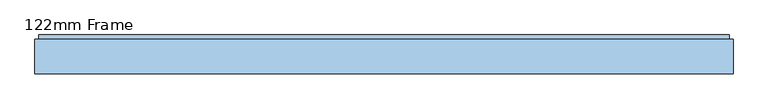
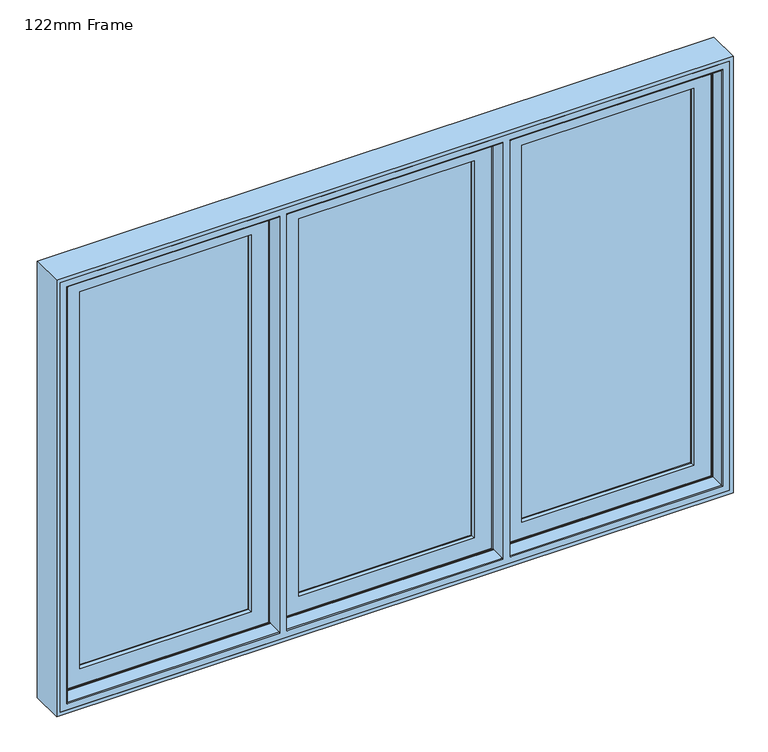
"""IFC4 building model written with IfcOpenShell, lengths in millimetres: window geometry, 122mm Frame."""

from ifc_helpers import new_model, si_unit, frame, origin, place, context, project, spatial, polyline, circle_curve, ellipse_curve, outline, extrude, faceted_brep, source, transform, mapped, element, save
from ifc_brep_helpers import plane_surface, cylinder_surface, advanced_brep


def window_122mm_frame_311024c3(model_context):
    return source(origin(), model_context, "Body", "SolidModel", [
        extrude(outline(polyline([(-296.6666667, 141.0), (297.0666667, 141.0), (297.0666667, 93.0), (-296.6666667, 93.0), (-296.6666667, 141.0)])), frame((0.0, 0.0, 890.0), z_axis=(0.0, 0.0, 1.0), x_axis=(1.0, 0.0, 0.0)), (0.0, 0.0, 1.0), 1320.0),
        faceted_brep([(319.4665133, 153.0, 2232.3998467), (319.4665133, 148.4070391, 2232.3998467), (319.4665133, 148.4070391, 867.6001533), (319.4665133, 153.0, 867.6001533), (324.7406056, 139.5531262, 2237.6739389), (324.7406056, 139.5531262, 862.3260611), (-319.4665133, 148.4070391, 867.6001533), (-319.4665133, 153.0, 867.6001533), (-319.4665133, 153.0, 2232.3998467), (286.3232834, 153.0, 2199.2566168), (-286.3232834, 153.0, 2199.2566168), (-286.3232834, 153.0, 900.7433832), (286.3232834, 153.0, 900.7433832), (326.5800622, 139.5531262, 860.4866045), (-326.5800622, 139.5531262, 860.4866045), (-326.5800622, 139.5531262, 2239.5133955), (326.5800622, 139.5531262, 2239.5133955), (-324.7406056, 139.5531262, 2237.6739389), (-324.7406056, 139.5531262, 862.3260611), (326.5800622, 121.0, 2239.5133955), (326.5800622, 121.0, 860.4866045), (336.5800622, 121.0, 850.4866045), (-336.5800622, 121.0, 850.4866045), (-336.5800622, 121.0, 2249.5133955), (336.5800622, 121.0, 2249.5133955), (-326.5800622, 121.0, 2239.5133955), (-326.5800622, 121.0, 860.4866045), (336.5800622, 88.5, 2249.5133955), (336.5800622, 88.5, 850.4866045), (347.3643666, 88.5, 839.7023001), (-347.3643666, 88.5, 839.7023001), (-347.3643666, 88.5, 2260.2977), (347.3643666, 88.5, 2260.2977), (-336.5800622, 88.5, 2249.5133955), (-336.5800622, 88.5, 850.4866045), (347.3643666, 83.5, 2260.2977), (347.3643666, 83.5, 839.7023001), (-347.3643666, 83.5, 2260.2977), (-347.3643666, 83.5, 839.7023001), (340.5666667, 83.5, 846.5), (-340.5666667, 83.5, 846.5), (-340.5666667, 83.5, 2253.5), (340.5666667, 83.5, 2253.5), (340.5666667, 78.0, 2253.5), (340.5666667, 78.0, 846.5), (-340.5666667, 78.0, 2253.5), (-340.5666667, 78.0, 846.5), (285.3824483, 78.0, 901.6842184), (-285.3824483, 78.0, 901.6842184), (-285.3824483, 78.0, 2198.3157816), (285.3824483, 78.0, 2198.3157816), (283.0669733, 88.8934531, 2196.0003067), (283.0669733, 88.8934531, 903.9996933), (283.0669733, 93.0, 2196.0003067), (283.0669733, 93.0, 903.9996933), (-283.0669733, 88.8934531, 903.9996933), (297.0666667, 93.0, 890.0), (-297.0666667, 93.0, 890.0), (-297.0666667, 93.0, 2210.0), (297.0666667, 93.0, 2210.0), (-283.0669733, 93.0, 2196.0003067), (-283.0669733, 93.0, 903.9996933), (297.0666667, 141.0, 2210.0), (297.0666667, 141.0, 890.0), (-297.0666667, 141.0, 2210.0), (-297.0666667, 141.0, 890.0), (282.6545152, 141.0, 904.4121514), (-282.6545152, 141.0, 904.4121514), (-282.6545152, 141.0, 2195.5878486), (282.6545152, 141.0, 2195.5878486), (-319.4665133, 148.4070391, 2232.3998467), (-283.0669733, 88.8934531, 2196.0003067)], [[[0, 1, 2, 3]], [[1, 4, 5, 2]], [[3, 2, 6, 7]], [[3, 7, 8, 0], [9, 10, 11, 12]], [[13, 14, 15, 16], [4, 17, 18, 5]], [[2, 5, 18, 6]], [[16, 19, 20, 13]], [[21, 22, 23, 24], [19, 25, 26, 20]], [[13, 20, 26, 14]], [[24, 27, 28, 21]], [[29, 30, 31, 32], [27, 33, 34, 28]], [[21, 28, 34, 22]], [[32, 35, 36, 29]], [[35, 37, 38, 36], [39, 40, 41, 42]], [[29, 36, 38, 30]], [[42, 43, 44, 39]], [[43, 45, 46, 44], [47, 48, 49, 50]], [[39, 44, 46, 40]], [[50, 51, 52, 47]], [[51, 53, 54, 52]], [[47, 52, 55, 48]], [[56, 57, 58, 59], [53, 60, 61, 54]], [[52, 54, 61, 55]], [[59, 62, 63, 56]], [[62, 64, 65, 63], [66, 67, 68, 69]], [[56, 63, 65, 57]], [[69, 9, 12, 66]], [[66, 12, 11, 67]], [[7, 6, 70, 8]], [[6, 18, 17, 70]], [[14, 26, 25, 15]], [[22, 34, 33, 23]], [[30, 38, 37, 31]], [[40, 46, 45, 41]], [[48, 55, 71, 49]], [[55, 61, 60, 71]], [[57, 65, 64, 58]], [[67, 11, 10, 68]], [[8, 70, 1, 0]], [[70, 17, 4, 1]], [[15, 25, 19, 16]], [[23, 33, 27, 24]], [[31, 37, 35, 32]], [[41, 45, 43, 42]], [[49, 71, 51, 50]], [[71, 60, 53, 51]], [[58, 64, 62, 59]], [[68, 10, 9, 69]]]),
        extrude(outline(polyline([(-1010.0, 141.0), (-428.2666667, 141.0), (-428.2666667, 93.0), (-1010.0, 93.0), (-1010.0, 141.0)])), frame((0.0, 0.0, 890.0), z_axis=(0.0, 0.0, 1.0), x_axis=(1.0, 0.0, 0.0)), (0.0, 0.0, 1.0), 1320.0),
        faceted_brep([(-405.86682, 153.0, 2232.3998467), (-405.86682, 148.4070391, 2232.3998467), (-405.86682, 148.4070391, 867.6001533), (-405.86682, 153.0, 867.6001533), (-400.5927278, 139.5531262, 2237.6739389), (-400.5927278, 139.5531262, 862.3260611), (-1032.3998467, 148.4070391, 867.6001533), (-1032.3998467, 153.0, 867.6001533), (-1032.3998467, 153.0, 2232.3998467), (-439.0100499, 153.0, 2199.2566168), (-999.2566168, 153.0, 2199.2566168), (-999.2566168, 153.0, 900.7433832), (-439.0100499, 153.0, 900.7433832), (-398.7532711, 139.5531262, 860.4866045), (-1039.5133955, 139.5531262, 860.4866045), (-1039.5133955, 139.5531262, 2239.5133955), (-398.7532711, 139.5531262, 2239.5133955), (-1037.6739389, 139.5531262, 2237.6739389), (-1037.6739389, 139.5531262, 862.3260611), (-398.7532711, 121.0, 2239.5133955), (-398.7532711, 121.0, 860.4866045), (-388.7532711, 121.0, 850.4866045), (-1049.5133955, 121.0, 850.4866045), (-1049.5133955, 121.0, 2249.5133955), (-388.7532711, 121.0, 2249.5133955), (-1039.5133955, 121.0, 2239.5133955), (-1039.5133955, 121.0, 860.4866045), (-388.7532711, 88.5, 2249.5133955), (-388.7532711, 88.5, 850.4866045), (-377.9689667, 88.5, 839.7023001), (-1060.2977, 88.5, 839.7023001), (-1060.2977, 88.5, 2260.2977), (-377.9689667, 88.5, 2260.2977), (-1049.5133955, 88.5, 2249.5133955), (-1049.5133955, 88.5, 850.4866045), (-377.9689667, 83.5, 2260.2977), (-377.9689667, 83.5, 839.7023001), (-1060.2977, 83.5, 2260.2977), (-1060.2977, 83.5, 839.7023001), (-384.7666667, 83.5, 846.5), (-1053.5, 83.5, 846.5), (-1053.5, 83.5, 2253.5), (-384.7666667, 83.5, 2253.5), (-384.7666667, 78.0, 2253.5), (-384.7666667, 78.0, 846.5), (-1053.5, 78.0, 2253.5), (-1053.5, 78.0, 846.5), (-439.9508851, 78.0, 901.6842184), (-998.3157816, 78.0, 901.6842184), (-998.3157816, 78.0, 2198.3157816), (-439.9508851, 78.0, 2198.3157816), (-442.26636, 88.8934531, 2196.0003067), (-442.26636, 88.8934531, 903.9996933), (-442.26636, 93.0, 2196.0003067), (-442.26636, 93.0, 903.9996933), (-996.0003067, 88.8934531, 903.9996933), (-428.2666667, 93.0, 890.0), (-1010.0, 93.0, 890.0), (-1010.0, 93.0, 2210.0), (-428.2666667, 93.0, 2210.0), (-996.0003067, 93.0, 2196.0003067), (-996.0003067, 93.0, 903.9996933), (-428.2666667, 141.0, 2210.0), (-428.2666667, 141.0, 890.0), (-1010.0, 141.0, 2210.0), (-1010.0, 141.0, 890.0), (-442.6788181, 141.0, 904.4121514), (-995.5878486, 141.0, 904.4121514), (-995.5878486, 141.0, 2195.5878486), (-442.6788181, 141.0, 2195.5878486), (-1032.3998467, 148.4070391, 2232.3998467), (-996.0003067, 88.8934531, 2196.0003067)], [[[0, 1, 2, 3]], [[1, 4, 5, 2]], [[3, 2, 6, 7]], [[3, 7, 8, 0], [9, 10, 11, 12]], [[13, 14, 15, 16], [4, 17, 18, 5]], [[2, 5, 18, 6]], [[16, 19, 20, 13]], [[21, 22, 23, 24], [19, 25, 26, 20]], [[13, 20, 26, 14]], [[24, 27, 28, 21]], [[29, 30, 31, 32], [27, 33, 34, 28]], [[21, 28, 34, 22]], [[32, 35, 36, 29]], [[35, 37, 38, 36], [39, 40, 41, 42]], [[29, 36, 38, 30]], [[42, 43, 44, 39]], [[43, 45, 46, 44], [47, 48, 49, 50]], [[39, 44, 46, 40]], [[50, 51, 52, 47]], [[51, 53, 54, 52]], [[47, 52, 55, 48]], [[56, 57, 58, 59], [53, 60, 61, 54]], [[52, 54, 61, 55]], [[59, 62, 63, 56]], [[62, 64, 65, 63], [66, 67, 68, 69]], [[56, 63, 65, 57]], [[69, 9, 12, 66]], [[66, 12, 11, 67]], [[7, 6, 70, 8]], [[6, 18, 17, 70]], [[14, 26, 25, 15]], [[22, 34, 33, 23]], [[30, 38, 37, 31]], [[40, 46, 45, 41]], [[48, 55, 71, 49]], [[55, 61, 60, 71]], [[57, 65, 64, 58]], [[67, 11, 10, 68]], [[8, 70, 1, 0]], [[70, 17, 4, 1]], [[15, 25, 19, 16]], [[23, 33, 27, 24]], [[31, 37, 35, 32]], [[41, 45, 43, 42]], [[49, 71, 51, 50]], [[71, 60, 53, 51]], [[58, 64, 62, 59]], [[68, 10, 9, 69]]]),
        advanced_brep(
        [(-1064.0, 83.0, 2264.0), (-1064.0, 35.0, 2264.0), (-1064.0, 35.0, 836.0), (-1064.0, 83.0, 836.0), (-1067.0, 32.0, 2267.0), (-1067.0, 32.0, 833.0), (-374.6666667, 35.0, 836.0), (-374.6666667, 83.0, 836.0), (1064.0, 35.0, 836.0), (1064.0, 83.0, 836.0), (374.6666667, 83.0, 836.0), (374.6666667, 35.0, 836.0), (-350.6666667, 83.0, 836.0), (-350.6666667, 35.0, 836.0), (350.6666667, 35.0, 836.0), (350.6666667, 83.0, 836.0), (-374.6666667, 83.0, 838.0), (-1062.0, 83.0, 838.0), (-1062.0, 83.0, 2262.0), (-374.6666667, 83.0, 2262.0), (-374.6666667, 83.0, 2264.0), (1064.0, 83.0, 2264.0), (374.6666667, 83.0, 2264.0), (374.6666667, 83.0, 2262.0), (1062.0, 83.0, 2262.0), (1062.0, 83.0, 838.0), (374.6666667, 83.0, 838.0), (-350.6666667, 83.0, 838.0), (350.6666667, 83.0, 838.0), (-350.6666667, 83.0, 2264.0), (-350.6666667, 83.0, 2262.0), (350.6666667, 83.0, 2262.0), (350.6666667, 83.0, 2264.0), (-1062.0, 111.4, 2262.0), (-1062.0, 111.4, 838.0), (-374.6666667, 91.0, 838.0), (-382.8666667, 91.0, 838.0), (-380.3618616, 111.4, 838.0), (1062.0, 111.4, 838.0), (380.3618616, 111.4, 838.0), (382.8666667, 91.0, 838.0), (374.6666667, 91.0, 838.0), (-350.6666667, 91.0, 838.0), (350.6666667, 91.0, 838.0), (342.4666667, 91.0, 838.0), (344.9714717, 111.4, 838.0), (-344.9714717, 111.4, 838.0), (-342.4666667, 91.0, 838.0), (-380.3618616, 111.4, 846.0999998), (-1053.9000002, 111.4, 846.0999998), (-1053.9000002, 111.4, 2253.9000002), (-380.3618616, 111.4, 2253.9000002), (-380.3618616, 111.4, 2262.0), (1062.0, 111.4, 2262.0), (380.3618616, 111.4, 2262.0), (380.3618616, 111.4, 2253.9000002), (1053.9000002, 111.4, 2253.9000002), (1053.9000002, 111.4, 846.0999998), (380.3618616, 111.4, 846.0999998), (-344.9714717, 111.4, 846.0999998), (344.9714717, 111.4, 846.0999998), (-344.9714717, 111.4, 2262.0), (-344.9714717, 111.4, 2253.9000002), (344.9714717, 111.4, 2253.9000002), (344.9714717, 111.4, 2262.0), (-1053.9000002, 126.0, 2253.9000002), (-1053.9000002, 126.0, 846.0999998), (-378.569207, 126.0, 846.0999998), (1053.9000002, 126.0, 846.0999998), (378.569207, 126.0, 846.0999998), (-346.7641263, 126.0, 846.0999998), (346.7641263, 126.0, 846.0999998), (-378.569207, 126.0, 853.2798057), (-1046.7201943, 126.0, 853.2798057), (-1046.7201943, 126.0, 2246.7201943), (-378.569207, 126.0, 2246.7201943), (-378.569207, 126.0, 2253.9000002), (1053.9000002, 126.0, 2253.9000002), (378.569207, 126.0, 2253.9000002), (378.569207, 126.0, 2246.7201943), (1046.7201943, 126.0, 2246.7201943), (1046.7201943, 126.0, 853.2798057), (378.569207, 126.0, 853.2798057), (-346.7641263, 126.0, 853.2798057), (346.7641263, 126.0, 853.2798057), (-346.7641263, 126.0, 2253.9000002), (-346.7641263, 126.0, 2246.7201943), (346.7641263, 126.0, 2246.7201943), (346.7641263, 126.0, 2253.9000002), (-1046.7201943, 140.2372876, 2246.7201943), (-1046.7201943, 140.2372876, 853.2798057), (-376.8210879, 140.2372876, 853.2798057), (1046.7201943, 140.2372876, 853.2798057), (376.8210879, 140.2372876, 853.2798057), (-348.5122454, 140.2372876, 853.2798057), (348.5122454, 140.2372876, 853.2798057), (-376.8210879, 140.2372876, 861.9868914), (-1038.0131086, 140.2372876, 861.9868914), (-1038.0131086, 140.2372876, 2238.0131086), (-376.8210879, 140.2372876, 2238.0131086), (-376.8210879, 140.2372876, 2246.7201943), (1046.7201943, 140.2372876, 2246.7201943), (376.8210879, 140.2372876, 2246.7201943), (376.8210879, 140.2372876, 2238.0131086), (1038.0131086, 140.2372876, 2238.0131086), (1038.0131086, 140.2372876, 861.9868914), (376.8210879, 140.2372876, 861.9868914), (-348.5122454, 140.2372876, 861.9868914), (348.5122454, 140.2372876, 861.9868914), (-348.5122454, 140.2372876, 2246.7201943), (-348.5122454, 140.2372876, 2238.0131086), (348.5122454, 140.2372876, 2238.0131086), (348.5122454, 140.2372876, 2246.7201943), (-1038.0131086, 143.3877115, 2238.0131086), (-1038.0131086, 143.3877115, 861.9868914), (-376.6046541, 142.0, 861.9868914), (-401.0778241, 142.0, 861.9868914), (-400.6535581, 143.3877115, 861.9868914), (1038.0131086, 143.3877115, 861.9868914), (400.6535581, 143.3877115, 861.9868914), (401.0778241, 142.0, 861.9868914), (376.6046541, 142.0, 861.9868914), (-348.7286793, 142.0, 861.9868914), (348.7286793, 142.0, 861.9868914), (324.2555093, 142.0, 861.9868914), (324.6797752, 143.3877115, 861.9868914), (-324.6797752, 143.3877115, 861.9868914), (-324.2555093, 142.0, 861.9868914), (-1041.2576108, 154.0, 858.7423892), (-1041.2576108, 154.0, 2241.2576108), (-397.4090559, 154.0, 858.7423892), (1041.2576108, 154.0, 858.7423892), (397.4090559, 154.0, 858.7423892), (-327.9242774, 154.0, 858.7423892), (327.9242774, 154.0, 858.7423892), (1088.0, 154.0, 812.0), (-1088.0, 154.0, 812.0), (-1088.0, 154.0, 2288.0), (1088.0, 154.0, 2288.0), (-397.4090559, 154.0, 2241.2576108), (327.9242774, 154.0, 2241.2576108), (-327.9242774, 154.0, 2241.2576108), (1041.2576108, 154.0, 2241.2576108), (397.4090559, 154.0, 2241.2576108), (-1088.0, 90.5, 2288.0), (-1088.0, 90.5, 812.0), (1088.0, 90.5, 812.0), (374.6666667, 90.5, 812.0), (374.6666667, 86.5, 812.0), (1088.0, 86.5, 812.0), (1088.0, 32.0, 812.0), (-1088.0, 32.0, 812.0), (-1088.0, 86.5, 812.0), (-374.6666667, 86.5, 812.0), (-374.6666667, 90.5, 812.0), (-350.6666667, 86.5, 812.0), (350.6666667, 86.5, 812.0), (350.6666667, 90.5, 812.0), (-350.6666667, 90.5, 812.0), (-374.6666667, 90.5, 819.0), (-1081.0, 90.5, 819.0), (-1081.0, 90.5, 2281.0), (-374.6666667, 90.5, 2281.0), (-374.6666667, 90.5, 2288.0), (1088.0, 90.5, 2288.0), (374.6666667, 90.5, 2288.0), (374.6666667, 90.5, 2281.0), (1081.0, 90.5, 2281.0), (1081.0, 90.5, 819.0), (374.6666667, 90.5, 819.0), (-350.6666667, 90.5, 819.0), (350.6666667, 90.5, 819.0), (-350.6666667, 90.5, 2288.0), (-350.6666667, 90.5, 2281.0), (350.6666667, 90.5, 2281.0), (350.6666667, 90.5, 2288.0), (-374.6666667, 32.0, 833.0), (1067.0, 32.0, 833.0), (374.6666667, 32.0, 833.0), (-350.6666667, 32.0, 833.0), (350.6666667, 32.0, 833.0), (-374.6666667, 86.5, 819.0), (-374.6666667, 32.0, 2267.0), (-374.6666667, 35.0, 2264.0), (-374.6666667, 91.0, 2262.0), (-374.6666667, 86.5, 2288.0), (-374.6666667, 86.5, 2281.0), (1064.0, 35.0, 2264.0), (374.6666667, 86.5, 819.0), (374.6666667, 32.0, 2267.0), (374.6666667, 91.0, 2262.0), (374.6666667, 35.0, 2264.0), (374.6666667, 86.5, 2288.0), (374.6666667, 86.5, 2281.0), (-350.6666667, 86.5, 819.0), (-350.6666667, 32.0, 2267.0), (-350.6666667, 91.0, 2262.0), (-350.6666667, 35.0, 2264.0), (-350.6666667, 86.5, 2288.0), (-350.6666667, 86.5, 2281.0), (350.6666667, 86.5, 819.0), (350.6666667, 32.0, 2267.0), (350.6666667, 35.0, 2264.0), (350.6666667, 91.0, 2262.0), (350.6666667, 86.5, 2288.0), (350.6666667, 86.5, 2281.0), (-382.8666667, 91.0, 2262.0), (-376.6046541, 142.0, 2238.0131086), (382.8666667, 91.0, 2262.0), (376.6046541, 142.0, 2238.0131086), (342.4666667, 91.0, 2262.0), (348.7286793, 142.0, 2238.0131086), (-342.4666667, 91.0, 2262.0), (-348.7286793, 142.0, 2238.0131086), (-401.0778241, 142.0, 2238.0131086), (-400.6535581, 143.3877115, 2238.0131086), (1038.0131086, 143.3877115, 2238.0131086), (400.6535581, 143.3877115, 2238.0131086), (401.0778241, 142.0, 2238.0131086), (324.2555093, 142.0, 2238.0131086), (324.6797752, 143.3877115, 2238.0131086), (-324.6797752, 143.3877115, 2238.0131086), (-324.2555093, 142.0, 2238.0131086), (-1081.0, 86.5, 2281.0), (-1081.0, 86.5, 819.0), (-1088.0, 86.5, 2288.0), (1081.0, 86.5, 819.0), (1081.0, 86.5, 2281.0), (1088.0, 86.5, 2288.0), (1088.0, 32.0, 2288.0), (-1088.0, 32.0, 2288.0), (1067.0, 32.0, 2267.0)],
        [
            (0, 1),
            (1, 2),
            (2, 3),
            (3, 0),
            (1, 4, ellipse_curve(frame((-1067.0, 35.0, 2267.0), z_axis=(-0.7071067811865475, 0.0, -0.7071067811865475), x_axis=(-0.7071067811865474, 0.0, 0.7071067811865476)), 4.2426407, 3.0)),
            (4, 5),
            (5, 2, ellipse_curve(frame((-1067.0, 35.0, 833.0), z_axis=(-0.7071067811865475, 0.0, 0.7071067811865475), x_axis=(0.7071067811865474, 0.0, 0.7071067811865476)), 4.2426407, 3.0)),
            (2, 6),
            (6, 7),
            (7, 3),
            (8, 9),
            (9, 10),
            (10, 11),
            (11, 8),
            (12, 13),
            (13, 14),
            (14, 15),
            (15, 12),
            (7, 16),
            (16, 17),
            (17, 18),
            (18, 19),
            (19, 20),
            (20, 0),
            (9, 21),
            (21, 22),
            (22, 23),
            (23, 24),
            (24, 25),
            (25, 26),
            (26, 10),
            (27, 12),
            (15, 28),
            (28, 27),
            (29, 30),
            (30, 31),
            (31, 32),
            (32, 29),
            (33, 18),
            (17, 34),
            (34, 33),
            (16, 35),
            (35, 36),
            (36, 37),
            (37, 34),
            (25, 38),
            (38, 39),
            (39, 40),
            (40, 41),
            (41, 26),
            (42, 27),
            (28, 43),
            (43, 44),
            (44, 45),
            (45, 46),
            (46, 47),
            (47, 42),
            (37, 48),
            (48, 49),
            (49, 50),
            (50, 51),
            (51, 52),
            (52, 33),
            (38, 53),
            (53, 54),
            (54, 55),
            (55, 56),
            (56, 57),
            (57, 58),
            (58, 39),
            (59, 46),
            (45, 60),
            (60, 59),
            (61, 62),
            (62, 63),
            (63, 64),
            (64, 61),
            (65, 50),
            (49, 66),
            (66, 65),
            (48, 67),
            (67, 66),
            (57, 68),
            (68, 69),
            (69, 58),
            (70, 59),
            (60, 71),
            (71, 70),
            (67, 72),
            (72, 73),
            (73, 74),
            (74, 75),
            (75, 76),
            (76, 65),
            (68, 77),
            (77, 78),
            (78, 79),
            (79, 80),
            (80, 81),
            (81, 82),
            (82, 69),
            (83, 70),
            (71, 84),
            (84, 83),
            (85, 86),
            (86, 87),
            (87, 88),
            (88, 85),
            (89, 74),
            (73, 90),
            (90, 89),
            (72, 91),
            (91, 90),
            (81, 92),
            (92, 93),
            (93, 82),
            (94, 83),
            (84, 95),
            (95, 94),
            (91, 96),
            (96, 97),
            (97, 98),
            (98, 99),
            (99, 100),
            (100, 89),
            (92, 101),
            (101, 102),
            (102, 103),
            (103, 104),
            (104, 105),
            (105, 106),
            (106, 93),
            (107, 94),
            (95, 108),
            (108, 107),
            (109, 110),
            (110, 111),
            (111, 112),
            (112, 109),
            (113, 98),
            (97, 114),
            (114, 113),
            (96, 115),
            (115, 116),
            (116, 117),
            (117, 114),
            (105, 118),
            (118, 119),
            (119, 120),
            (120, 121),
            (121, 106),
            (122, 107),
            (108, 123),
            (123, 124),
            (124, 125),
            (125, 126),
            (126, 127),
            (127, 122),
            (114, 128),
            (128, 129),
            (129, 113),
            (117, 130),
            (130, 128),
            (118, 131),
            (131, 132),
            (132, 119),
            (133, 126),
            (125, 134),
            (134, 133),
            (135, 136),
            (136, 137),
            (137, 138),
            (138, 135),
            (130, 139),
            (139, 129),
            (134, 140),
            (140, 141),
            (141, 133),
            (131, 142),
            (142, 143),
            (143, 132),
            (144, 137),
            (136, 145),
            (145, 144),
            (135, 146),
            (146, 147),
            (147, 148),
            (148, 149),
            (149, 150),
            (150, 151),
            (151, 152),
            (152, 153),
            (153, 154),
            (154, 145),
            (155, 156),
            (156, 157),
            (157, 158),
            (158, 155),
            (154, 159),
            (159, 160),
            (160, 161),
            (161, 162),
            (162, 163),
            (163, 144),
            (146, 164),
            (164, 165),
            (165, 166),
            (166, 167),
            (167, 168),
            (168, 169),
            (169, 147),
            (170, 158),
            (157, 171),
            (171, 170),
            (172, 173),
            (173, 174),
            (174, 175),
            (175, 172),
            (5, 176),
            (176, 6, circle_curve(frame((-374.6666667, 35.0, 833.0), z_axis=(-1.0, 0.0, 0.0), x_axis=(0.0, 1.0, 0.0)), 3.0)),
            (177, 8, ellipse_curve(frame((1067.0, 35.0, 833.0), z_axis=(-0.7071067811865475, 0.0, -0.7071067811865475), x_axis=(-0.7071067811865476, 0.0, 0.7071067811865474)), 4.2426407, 3.0)),
            (11, 178, circle_curve(frame((374.6666667, 35.0, 833.0), z_axis=(1.0, 0.0, 0.0), x_axis=(0.0, 1.0, 0.0)), 3.0)),
            (178, 177),
            (13, 179, circle_curve(frame((-350.6666667, 35.0, 833.0), z_axis=(1.0, 0.0, 0.0), x_axis=(0.0, 1.0, 0.0)), 3.0)),
            (179, 180),
            (180, 14, circle_curve(frame((350.6666667, 35.0, 833.0), z_axis=(-1.0, 0.0, 0.0), x_axis=(0.0, 1.0, 0.0)), 3.0)),
            (153, 181),
            (181, 159),
            (176, 182),
            (182, 183, circle_curve(frame((-374.6666667, 35.0, 2267.0), z_axis=(1.0, 0.0, 0.0), x_axis=(0.0, 1.0, 0.0)), 3.0)),
            (183, 20),
            (19, 184),
            (184, 35),
            (185, 163),
            (162, 186),
            (186, 185),
            (8, 187),
            (187, 21),
            (169, 188),
            (188, 148),
            (189, 178),
            (41, 190),
            (190, 23),
            (22, 191),
            (191, 189, circle_curve(frame((374.6666667, 35.0, 2267.0), z_axis=(-1.0, 0.0, 0.0), x_axis=(0.0, 1.0, 0.0)), 3.0)),
            (165, 192),
            (192, 193),
            (193, 166),
            (170, 194),
            (194, 155),
            (195, 179),
            (42, 196),
            (196, 30),
            (29, 197),
            (197, 195, circle_curve(frame((-350.6666667, 35.0, 2267.0), z_axis=(-1.0, 0.0, 0.0), x_axis=(0.0, 1.0, 0.0)), 3.0)),
            (172, 198),
            (198, 199),
            (199, 173),
            (156, 200),
            (200, 171),
            (180, 201),
            (201, 202, circle_curve(frame((350.6666667, 35.0, 2267.0), z_axis=(1.0, 0.0, 0.0), x_axis=(0.0, 1.0, 0.0)), 3.0)),
            (202, 32),
            (31, 203),
            (203, 43),
            (204, 175),
            (174, 205),
            (205, 204),
            (206, 36),
            (184, 206),
            (207, 115),
            (206, 52),
            (51, 76),
            (75, 100),
            (99, 207),
            (24, 53),
            (208, 40),
            (121, 209),
            (209, 103),
            (102, 79),
            (78, 55),
            (54, 208),
            (208, 190),
            (210, 44),
            (203, 210),
            (211, 123),
            (210, 64),
            (63, 88),
            (87, 112),
            (111, 211),
            (212, 47),
            (122, 213),
            (213, 110),
            (109, 86),
            (85, 62),
            (61, 212),
            (212, 196),
            (56, 77),
            (80, 101),
            (214, 116),
            (207, 214),
            (214, 215),
            (215, 139),
            (104, 216),
            (216, 118),
            (143, 217),
            (217, 218),
            (218, 120),
            (218, 209),
            (219, 124),
            (211, 219),
            (219, 220),
            (220, 140),
            (141, 221),
            (221, 222),
            (222, 127),
            (222, 213),
            (216, 142),
            (138, 164),
            (194, 200),
            (223, 224),
            (224, 181),
            (152, 225),
            (225, 185),
            (186, 223),
            (226, 227),
            (227, 193),
            (192, 228),
            (228, 149),
            (188, 226),
            (198, 204),
            (205, 199),
            (229, 150),
            (228, 229),
            (229, 230),
            (230, 151),
            (4, 182),
            (231, 177),
            (189, 231),
            (195, 201),
            (230, 225),
            (231, 187, ellipse_curve(frame((1067.0, 35.0, 2267.0), z_axis=(0.7071067811865475, 0.0, -0.7071067811865475), x_axis=(-0.7071067811865474, 0.0, -0.7071067811865476)), 4.2426407, 3.0)),
            (223, 161),
            (160, 224),
            (168, 226),
            (167, 227),
            (183, 1),
            (187, 191),
            (202, 197),
            (113, 215),
            (217, 216),
            (221, 220),
        ],
        [
            plane_surface(frame((-1064.0, 35.0, 2264.0), z_axis=(1.0, 0.0, 0.0), x_axis=(0.0, 0.0, -1.0))),
            cylinder_surface(frame((-1067.0, 35.0, 2288.0), z_axis=(0.0, 0.0, 1.0), x_axis=(0.0, 1.0, 0.0)), 3.0),
            plane_surface(frame((-1064.0, 35.0, 836.0), z_axis=(0.0, 0.0, 1.0), x_axis=(1.0, 0.0, 0.0))),
            plane_surface(frame((1064.0, 83.0, 2264.0), z_axis=(0.0, -1.0, 0.0), x_axis=(-1.0, 0.0, 0.0))),
            plane_surface(frame((-1062.0, 83.0, 2262.0), z_axis=(1.0, 0.0, 0.0), x_axis=(0.0, 0.0, -1.0))),
            plane_surface(frame((-1062.0, 83.0, 838.0), z_axis=(0.0, 0.0, 1.0), x_axis=(1.0, 0.0, 0.0))),
            plane_surface(frame((1062.0, 111.4, 2262.0), z_axis=(0.0, -1.0, 0.0), x_axis=(-1.0, 0.0, 0.0))),
            plane_surface(frame((-1053.9000002, 111.4, 2253.9000002), z_axis=(1.0, 0.0, 0.0), x_axis=(0.0, 0.0, -1.0))),
            plane_surface(frame((-1053.9000002, 111.4, 846.0999998), z_axis=(0.0, 0.0, 1.0), x_axis=(1.0, 0.0, 0.0))),
            plane_surface(frame((1053.9000002, 126.0, 2253.9000002), z_axis=(0.0, -1.0, 0.0), x_axis=(-1.0, 0.0, 0.0))),
            plane_surface(frame((-1046.7201943, 126.0, 2246.7201943), z_axis=(1.0, 0.0, 0.0), x_axis=(0.0, 0.0, -1.0))),
            plane_surface(frame((-1046.7201943, 126.0, 853.2798057), z_axis=(0.0, 0.0, 1.0), x_axis=(1.0, 0.0, 0.0))),
            plane_surface(frame((1046.7201943, 140.2372876, 2246.7201943), z_axis=(0.0, -1.0, 0.0), x_axis=(-1.0, 0.0, 0.0))),
            plane_surface(frame((-1038.0131086, 140.2372876, 2238.0131086), z_axis=(1.0, 0.0, 0.0), x_axis=(0.0, 0.0, -1.0))),
            plane_surface(frame((-1038.0131086, 140.2372876, 861.9868914), z_axis=(0.0, 0.0, 1.0), x_axis=(1.0, 0.0, 0.0))),
            plane_surface(frame((-1038.0131086, 143.3877115, 2238.0131086), z_axis=(0.9563047559629358, 0.29237170472306273, 0.0), x_axis=(0.0, 0.0, -1.0))),
            plane_surface(frame((-1038.0131086, 143.3877115, 861.9868914), z_axis=(0.0, 0.29237170472306273, 0.9563047559629358), x_axis=(1.0, 0.0, 0.0))),
            plane_surface(frame((1041.2576108, 154.0, 2241.2576108), z_axis=(0.0, 1.0, 0.0), x_axis=(-1.0, 0.0, 0.0))),
            plane_surface(frame((-1088.0, 154.0, 2288.0), z_axis=(-1.0, 0.0, 0.0), x_axis=(0.0, 0.0, -1.0))),
            plane_surface(frame((-1088.0, 154.0, 812.0), z_axis=(0.0, 0.0, -1.0), x_axis=(1.0, 0.0, 0.0))),
            plane_surface(frame((1088.0, 90.5, 2288.0), z_axis=(0.0, -1.0, 0.0), x_axis=(-1.0, 0.0, 0.0))),
            cylinder_surface(frame((-1088.0, 35.0, 833.0), z_axis=(-1.0, 0.0, 0.0), x_axis=(0.0, 1.0, 0.0)), 3.0),
            plane_surface(frame((-374.6666667, 91.0, 2288.0), z_axis=(-1.0, 0.0, 0.0), x_axis=(0.0, 0.0, -1.0))),
            plane_surface(frame((1064.0, 35.0, 836.0), z_axis=(-1.0, 0.0, 0.0), x_axis=(0.0, 0.0, 1.0))),
            plane_surface(frame((374.6666667, 32.0, 2288.0), z_axis=(1.0, 0.0, 0.0), x_axis=(0.0, 0.0, -1.0))),
            plane_surface(frame((-350.6666667, 32.0, 2288.0), z_axis=(1.0, 0.0, 0.0), x_axis=(0.0, 0.0, -1.0))),
            plane_surface(frame((350.6666667, 91.0, 2288.0), z_axis=(-1.0, 0.0, 0.0), x_axis=(0.0, 0.0, -1.0))),
            plane_surface(frame((-382.8666667, 91.0, 2288.0), z_axis=(0.0, -1.0, 0.0), x_axis=(0.0, 0.0, -1.0))),
            plane_surface(frame((-376.6046541, 142.0, 2288.0), z_axis=(-0.992546151641314, 0.12186934340521335, 0.0), x_axis=(0.0, 0.0, -1.0))),
            plane_surface(frame((1062.0, 83.0, 838.0), z_axis=(-1.0, 0.0, 0.0), x_axis=(0.0, 0.0, 1.0))),
            plane_surface(frame((382.8666667, 91.0, 2288.0), z_axis=(0.9925461516413139, 0.1218693434052145, 0.0), x_axis=(0.0, 0.0, -1.0))),
            plane_surface(frame((374.6666667, 91.0, 2288.0), z_axis=(0.0, -1.0, 0.0), x_axis=(0.0, 0.0, -1.0))),
            plane_surface(frame((342.4666667, 91.0, 2288.0), z_axis=(0.0, -1.0, 0.0), x_axis=(0.0, 0.0, -1.0))),
            plane_surface(frame((348.7286793, 142.0, 2288.0), z_axis=(-0.9925461516413169, 0.12186934340519025, 0.0), x_axis=(0.0, 0.0, -1.0))),
            plane_surface(frame((-342.4666667, 91.0, 2288.0), z_axis=(0.9925461516413132, 0.12186934340521952, 0.0), x_axis=(0.0, 0.0, -1.0))),
            plane_surface(frame((-350.6666667, 91.0, 2288.0), z_axis=(0.0, -1.0, 0.0), x_axis=(0.0, 0.0, -1.0))),
            plane_surface(frame((1053.9000002, 111.4, 846.0999998), z_axis=(-1.0, 0.0, 0.0), x_axis=(0.0, 0.0, 1.0))),
            plane_surface(frame((1046.7201943, 126.0, 853.2798057), z_axis=(-1.0, 0.0, 0.0), x_axis=(0.0, 0.0, 1.0))),
            plane_surface(frame((-401.0778241, 142.0, 2288.0), z_axis=(0.0, -1.0, 0.0), x_axis=(0.0, 0.0, -1.0))),
            plane_surface(frame((-397.4090559, 154.0, 2288.0), z_axis=(-0.9563047559630685, 0.29237170472262874, 0.0), x_axis=(0.0, 0.0, -1.0))),
            plane_surface(frame((1038.0131086, 140.2372876, 861.9868914), z_axis=(-1.0, 0.0, 0.0), x_axis=(0.0, 0.0, 1.0))),
            plane_surface(frame((401.0778241, 142.0, 2288.0), z_axis=(0.9563047559630601, 0.2923717047226562, 0.0), x_axis=(0.0, 0.0, -1.0))),
            plane_surface(frame((376.6046541, 142.0, 2288.0), z_axis=(0.0, -1.0, 0.0), x_axis=(0.0, 0.0, -1.0))),
            plane_surface(frame((324.2555093, 142.0, 2288.0), z_axis=(0.0, -1.0, 0.0), x_axis=(0.0, 0.0, -1.0))),
            plane_surface(frame((327.9242774, 154.0, 2288.0), z_axis=(-0.9563047559630613, 0.2923717047226525, 0.0), x_axis=(0.0, 0.0, -1.0))),
            plane_surface(frame((-324.2555093, 142.0, 2288.0), z_axis=(0.9563047559630672, 0.29237170472263324, 0.0), x_axis=(0.0, 0.0, -1.0))),
            plane_surface(frame((-348.7286793, 142.0, 2288.0), z_axis=(0.0, -1.0, 0.0), x_axis=(0.0, 0.0, -1.0))),
            plane_surface(frame((1038.0131086, 143.3877115, 861.9868914), z_axis=(-0.9563047559629358, 0.29237170472306273, 0.0), x_axis=(0.0, 0.0, 1.0))),
            plane_surface(frame((1088.0, 154.0, 812.0), z_axis=(1.0, 0.0, 0.0), x_axis=(0.0, 0.0, 1.0))),
            plane_surface(frame((1081.0, 86.5, 2281.0), z_axis=(0.0, 1.0, 0.0), x_axis=(-1.0, 0.0, 0.0))),
            plane_surface(frame((1088.0, 86.5, 812.0), z_axis=(1.0, 0.0, 0.0), x_axis=(0.0, 0.0, 1.0))),
            plane_surface(frame((1088.0, 32.0, 2288.0), z_axis=(0.0, -1.0, 0.0), x_axis=(-1.0, 0.0, 0.0))),
            plane_surface(frame((-1088.0, 86.5, 2288.0), z_axis=(-1.0, 0.0, 0.0), x_axis=(0.0, 0.0, -1.0))),
            cylinder_surface(frame((1067.0, 35.0, 812.0), z_axis=(0.0, 0.0, -1.0), x_axis=(0.0, 1.0, 0.0)), 3.0),
            plane_surface(frame((-1081.0, 90.5, 2281.0), z_axis=(-1.0, 0.0, 0.0), x_axis=(0.0, 0.0, -1.0))),
            plane_surface(frame((-1081.0, 90.5, 819.0), z_axis=(0.0, 0.0, -1.0), x_axis=(1.0, 0.0, 0.0))),
            plane_surface(frame((1081.0, 90.5, 819.0), z_axis=(1.0, 0.0, 0.0), x_axis=(0.0, 0.0, 1.0))),
            plane_surface(frame((1064.0, 35.0, 2264.0), z_axis=(0.0, 0.0, -1.0), x_axis=(-1.0, 0.0, 0.0))),
            plane_surface(frame((1062.0, 83.0, 2262.0), z_axis=(0.0, 0.0, -1.0), x_axis=(-1.0, 0.0, 0.0))),
            plane_surface(frame((1053.9000002, 111.4, 2253.9000002), z_axis=(0.0, 0.0, -1.0), x_axis=(-1.0, 0.0, 0.0))),
            plane_surface(frame((1046.7201943, 126.0, 2246.7201943), z_axis=(0.0, 0.0, -1.0), x_axis=(-1.0, 0.0, 0.0))),
            plane_surface(frame((1038.0131086, 140.2372876, 2238.0131086), z_axis=(0.0, 0.0, -1.0), x_axis=(-1.0, 0.0, 0.0))),
            plane_surface(frame((1038.0131086, 143.3877115, 2238.0131086), z_axis=(0.0, 0.29237170472306273, -0.9563047559629358), x_axis=(-1.0, 0.0, 0.0))),
            plane_surface(frame((1088.0, 154.0, 2288.0), z_axis=(0.0, 0.0, 1.0), x_axis=(-1.0, 0.0, 0.0))),
            cylinder_surface(frame((1088.0, 35.0, 2267.0), z_axis=(1.0, 0.0, 0.0), x_axis=(0.0, 1.0, 0.0)), 3.0),
            plane_surface(frame((1081.0, 90.5, 2281.0), z_axis=(0.0, 0.0, 1.0), x_axis=(-1.0, 0.0, 0.0))),
        ],
        [
            (0, [[1, 2, 3, 4]]),
            (1, [[-2, 5, 6, 7]]),
            (2, [[-3, 8, 9, 10]]),
            (2, [[11, 12, 13, 14]]),
            (2, [[15, 16, 17, 18]]),
            (3, [[-4, -10, 19, 20, 21, 22, 23, 24]]),
            (3, [[25, 26, 27, 28, 29, 30, 31, -12]]),
            (3, [[32, -18, 33, 34]]),
            (3, [[35, 36, 37, 38]]),
            (4, [[39, -21, 40, 41]]),
            (5, [[-40, -20, 42, 43, 44, 45]]),
            (5, [[46, 47, 48, 49, 50, -30]]),
            (5, [[51, -34, 52, 53, 54, 55, 56, 57]]),
            (6, [[-41, -45, 58, 59, 60, 61, 62, 63]]),
            (6, [[64, 65, 66, 67, 68, 69, 70, -47]]),
            (6, [[71, -55, 72, 73]]),
            (6, [[74, 75, 76, 77]]),
            (7, [[78, -60, 79, 80]]),
            (8, [[-79, -59, 81, 82]]),
            (8, [[83, 84, 85, -69]]),
            (8, [[86, -73, 87, 88]]),
            (9, [[-80, -82, 89, 90, 91, 92, 93, 94]]),
            (9, [[95, 96, 97, 98, 99, 100, 101, -84]]),
            (9, [[102, -88, 103, 104]]),
            (9, [[105, 106, 107, 108]]),
            (10, [[109, -91, 110, 111]]),
            (11, [[-110, -90, 112, 113]]),
            (11, [[114, 115, 116, -100]]),
            (11, [[117, -104, 118, 119]]),
            (12, [[-111, -113, 120, 121, 122, 123, 124, 125]]),
            (12, [[126, 127, 128, 129, 130, 131, 132, -115]]),
            (12, [[133, -119, 134, 135]]),
            (12, [[136, 137, 138, 139]]),
            (13, [[140, -122, 141, 142]]),
            (14, [[-141, -121, 143, 144, 145, 146]]),
            (14, [[147, 148, 149, 150, 151, -131]]),
            (14, [[152, -135, 153, 154, 155, 156, 157, 158]]),
            (15, [[-142, 159, 160, 161]]),
            (16, [[-159, -146, 162, 163]]),
            (16, [[164, 165, 166, -148]]),
            (16, [[167, -156, 168, 169]]),
            (17, [[170, 171, 172, 173], [-160, -163, 174, 175], [-169, 176, 177, 178], [179, 180, 181, -165]]),
            (18, [[182, -171, 183, 184]]),
            (19, [[-183, -170, 185, 186, 187, 188, 189, 190, 191, 192, 193, 194], [195, 196, 197, 198]]),
            (20, [[-184, -194, 199, 200, 201, 202, 203, 204]]),
            (20, [[205, 206, 207, 208, 209, 210, 211, -186]]),
            (20, [[212, -197, 213, 214]]),
            (20, [[215, 216, 217, 218]]),
            (21, [[-7, 219, 220, -8]]),
            (21, [[221, -14, 222, 223]]),
            (21, [[224, 225, 226, -16]]),
            (22, [[-193, 227, 228, -199]]),
            (22, [[229, 230, 231, -23, 232, 233, -42, -19, -9, -220]]),
            (22, [[234, -203, 235, 236]]),
            (23, [[-11, 237, 238, -25]]),
            (24, [[-187, -211, 239, 240]]),
            (24, [[241, -222, -13, -31, -50, 242, 243, -27, 244, 245]]),
            (24, [[246, 247, 248, -207]]),
            (25, [[-198, -212, 249, 250]]),
            (25, [[251, -224, -15, -32, -51, 252, 253, -35, 254, 255]]),
            (25, [[256, 257, 258, -215]]),
            (26, [[-196, 259, 260, -213]]),
            (26, [[261, 262, 263, -37, 264, 265, -52, -33, -17, -226]]),
            (26, [[266, -217, 267, 268]]),
            (27, [[269, -43, -233, 270]]),
            (28, [[271, -143, -120, -112, -89, -81, -58, -44, -269, 272, -62, 273, -93, 274, -124, 275]]),
            (29, [[-46, -29, 276, -64]]),
            (30, [[277, -48, -70, -85, -101, -116, -132, -151, 278, 279, -128, 280, -97, 281, -66, 282]]),
            (31, [[-242, -49, -277, 283]]),
            (32, [[284, -53, -265, 285]]),
            (33, [[286, -153, -134, -118, -103, -87, -72, -54, -284, 287, -76, 288, -107, 289, -138, 290]]),
            (34, [[291, -56, -71, -86, -102, -117, -133, -152, 292, 293, -136, 294, -105, 295, -74, 296]]),
            (35, [[-252, -57, -291, 297]]),
            (36, [[-83, -68, 298, -95]]),
            (37, [[-114, -99, 299, -126]]),
            (38, [[300, -144, -271, 301]]),
            (39, [[-174, -162, -145, -300, 302, 303]]),
            (40, [[-147, -130, 304, 305]]),
            (41, [[-181, 306, 307, 308, -149, -166]]),
            (42, [[-278, -150, -308, 309]]),
            (43, [[310, -154, -286, 311]]),
            (44, [[-176, -168, -155, -310, 312, 313]]),
            (45, [[-178, 314, 315, 316, -157, -167]]),
            (46, [[-292, -158, -316, 317]]),
            (47, [[-164, -305, 318, -179]]),
            (48, [[-185, -173, 319, -205]]),
            (49, [[-250, 320, -259, -195]]),
            (49, [[321, 322, -227, -192, 323, 324, -236, 325]]),
            (49, [[326, 327, -247, 328, 329, -188, -240, 330]]),
            (49, [[-257, 331, -268, 332]]),
            (50, [[333, -189, -329, 334]]),
            (51, [[-190, -333, 335, 336], [-6, 337, -229, -219], [338, -223, -241, 339], [340, -261, -225, -251]]),
            (52, [[-336, 341, -323, -191]]),
            (53, [[-237, -221, -338, 342]]),
            (54, [[343, -201, 344, -321]]),
            (55, [[-249, -214, -260, -320]]),
            (55, [[-344, -200, -228, -322]]),
            (55, [[345, -330, -239, -210]]),
            (56, [[-345, -209, 346, -326]]),
            (57, [[-1, -24, -231, 347]]),
            (57, [[-238, 348, -244, -26]]),
            (57, [[-254, -38, -263, 349]]),
            (58, [[-39, -63, -272, -270, -232, -22]]),
            (58, [[-276, -28, -243, -283, -282, -65]]),
            (58, [[-253, -297, -296, -77, -287, -285, -264, -36]]),
            (59, [[-78, -94, -273, -61]]),
            (59, [[-298, -67, -281, -96]]),
            (59, [[-295, -108, -288, -75]]),
            (60, [[-109, -125, -274, -92]]),
            (60, [[-299, -98, -280, -127]]),
            (60, [[-294, -139, -289, -106]]),
            (61, [[-140, 350, -302, -301, -275, -123]]),
            (61, [[-304, -129, -279, -309, -307, 351]]),
            (61, [[-293, -317, -315, 352, -312, -311, -290, -137]]),
            (62, [[-161, -175, -303, -350]]),
            (62, [[-318, -351, -306, -180]]),
            (62, [[-314, -177, -313, -352]]),
            (63, [[-172, -182, -204, -234, -324, -341, -335, -334, -328, -246, -206, -319], [-218, -266, -331, -256]]),
            (64, [[-5, -347, -230, -337]]),
            (64, [[-342, -339, -245, -348]]),
            (64, [[-255, -349, -262, -340]]),
            (65, [[-343, -325, -235, -202]]),
            (65, [[-346, -208, -248, -327]]),
            (65, [[-258, -332, -267, -216]]),
        ],
    ),
        extrude(outline(polyline([(2300.0, -1100.0), (800.0, -1100.0), (800.0, 1100.0), (2300.0, 1100.0), (2300.0, -1100.0)]), holes=[polyline([(2288.0, 1088.0), (812.0, 1088.0), (812.0, -1088.0), (2288.0, -1088.0), (2288.0, 1088.0)])]), frame((0.0, 32.0, 0.0), z_axis=(0.0, 1.0, 0.0), x_axis=(0.0, 0.0, 1.0)), (0.0, 0.0, 1.0), 109.0),
        extrude(outline(polyline([(428.2666667, 141.0), (1010.0, 141.0), (1010.0, 93.0), (428.2666667, 93.0), (428.2666667, 141.0)])), frame((0.0, 0.0, 890.0), z_axis=(0.0, 0.0, 1.0), x_axis=(1.0, 0.0, 0.0)), (0.0, 0.0, 1.0), 1320.0),
        faceted_brep([(405.86682, 148.4070391, 2232.3998467), (405.86682, 153.0, 2232.3998467), (405.86682, 153.0, 867.6001533), (405.86682, 148.4070391, 867.6001533), (1032.3998467, 153.0, 2232.3998467), (1032.3998467, 153.0, 867.6001533), (439.0100499, 153.0, 900.7433832), (999.2566168, 153.0, 900.7433832), (999.2566168, 153.0, 2199.2566168), (439.0100499, 153.0, 2199.2566168), (1032.3998467, 148.4070391, 867.6001533), (400.5927278, 139.5531262, 2237.6739389), (400.5927278, 139.5531262, 862.3260611), (1037.6739389, 139.5531262, 862.3260611), (398.7532711, 139.5531262, 2239.5133955), (1039.5133955, 139.5531262, 2239.5133955), (1039.5133955, 139.5531262, 860.4866045), (398.7532711, 139.5531262, 860.4866045), (1037.6739389, 139.5531262, 2237.6739389), (398.7532711, 121.0, 2239.5133955), (398.7532711, 121.0, 860.4866045), (1039.5133955, 121.0, 860.4866045), (388.7532711, 121.0, 2249.5133955), (1049.5133955, 121.0, 2249.5133955), (1049.5133955, 121.0, 850.4866045), (388.7532711, 121.0, 850.4866045), (1039.5133955, 121.0, 2239.5133955), (388.7532711, 88.5, 2249.5133955), (388.7532711, 88.5, 850.4866045), (1049.5133955, 88.5, 850.4866045), (377.9689667, 88.5, 2260.2977), (1060.2976999, 88.5, 2260.2977), (1060.2976999, 88.5, 839.7023001), (377.9689667, 88.5, 839.7023001), (1049.5133955, 88.5, 2249.5133955), (377.9689667, 83.5, 2260.2977), (377.9689667, 83.5, 839.7023001), (1060.2976999, 83.5, 839.7023001), (1060.2976999, 83.5, 2260.2977), (384.7666667, 83.5, 2253.5), (1053.5, 83.5, 2253.5), (1053.5, 83.5, 846.5), (384.7666667, 83.5, 846.5), (384.7666667, 78.0, 2253.5), (384.7666667, 78.0, 846.5), (1053.5, 78.0, 846.5), (1053.5, 78.0, 2253.5), (439.9508851, 78.0, 2198.3157816), (998.3157816, 78.0, 2198.3157816), (998.3157816, 78.0, 901.6842184), (439.9508851, 78.0, 901.6842184), (442.26636, 88.8934531, 2196.0003067), (442.26636, 88.8934531, 903.9996933), (996.0003067, 88.8934531, 903.9996933), (442.26636, 93.0, 2196.0003067), (442.26636, 93.0, 903.9996933), (996.0003067, 93.0, 903.9996933), (428.2666667, 93.0, 2210.0), (1010.0, 93.0, 2210.0), (1010.0, 93.0, 890.0), (428.2666667, 93.0, 890.0), (996.0003067, 93.0, 2196.0003067), (428.2666667, 141.0, 2210.0), (428.2666667, 141.0, 890.0), (1010.0, 141.0, 890.0), (1010.0, 141.0, 2210.0), (442.6788181, 141.0, 2195.5878486), (995.5878486, 141.0, 2195.5878486), (995.5878486, 141.0, 904.4121514), (442.6788181, 141.0, 904.4121514), (1032.3998467, 148.4070391, 2232.3998467), (996.0003067, 88.8934531, 2196.0003067)], [[[0, 1, 2, 3]], [[1, 4, 5, 2], [6, 7, 8, 9]], [[3, 2, 5, 10]], [[11, 0, 3, 12]], [[12, 3, 10, 13]], [[14, 15, 16, 17], [12, 13, 18, 11]], [[19, 14, 17, 20]], [[20, 17, 16, 21]], [[22, 23, 24, 25], [20, 21, 26, 19]], [[27, 22, 25, 28]], [[28, 25, 24, 29]], [[30, 31, 32, 33], [28, 29, 34, 27]], [[35, 30, 33, 36]], [[36, 33, 32, 37]], [[36, 37, 38, 35], [39, 40, 41, 42]], [[43, 39, 42, 44]], [[44, 42, 41, 45]], [[44, 45, 46, 43], [47, 48, 49, 50]], [[51, 47, 50, 52]], [[52, 50, 49, 53]], [[54, 51, 52, 55]], [[55, 52, 53, 56]], [[57, 58, 59, 60], [55, 56, 61, 54]], [[62, 57, 60, 63]], [[63, 60, 59, 64]], [[63, 64, 65, 62], [66, 67, 68, 69]], [[9, 66, 69, 6]], [[6, 69, 68, 7]], [[10, 5, 4, 70]], [[13, 10, 70, 18]], [[21, 16, 15, 26]], [[29, 24, 23, 34]], [[37, 32, 31, 38]], [[45, 41, 40, 46]], [[53, 49, 48, 71]], [[56, 53, 71, 61]], [[64, 59, 58, 65]], [[7, 68, 67, 8]], [[70, 4, 1, 0]], [[18, 70, 0, 11]], [[26, 15, 14, 19]], [[34, 23, 22, 27]], [[38, 31, 30, 35]], [[46, 40, 39, 43]], [[71, 48, 47, 51]], [[61, 71, 51, 54]], [[65, 58, 57, 62]], [[8, 67, 66, 9]]]),
    ])


if __name__ == "__main__":
    model = new_model("IFC4")
    model_context = context("Model", 3, world=origin())
    ifc_project = project(units=[si_unit("LENGTHUNIT", "METRE", prefix="MILLI")], contexts=[model_context])
    site = spatial("IfcSite", under=ifc_project)
    building = spatial("IfcBuilding", under=site)
    placement = place(None, origin())
    window_122mm_frame_shape = window_122mm_frame_311024c3(model_context)
    element("IfcWindow", 1, ObjectType="122mm Frame", at=placement, inside=building, context=model_context, shape_type="MappedRepresentation", body=[
        mapped(window_122mm_frame_shape, transform((0.0, 0.0, 0.0), x_axis=(1.0, 0.0, 0.0), y_axis=(0.0, 1.0, 0.0), z_axis=(0.0, 0.0, 1.0))),
    ])
    save(model, "model.ifc")
